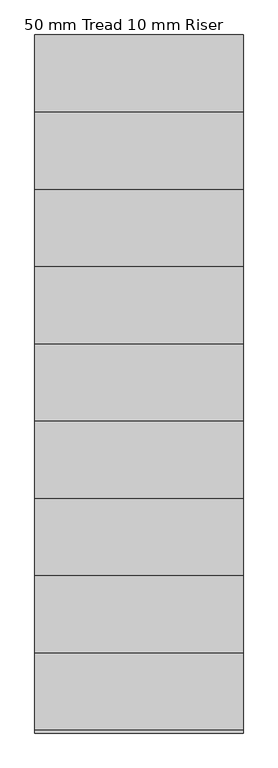
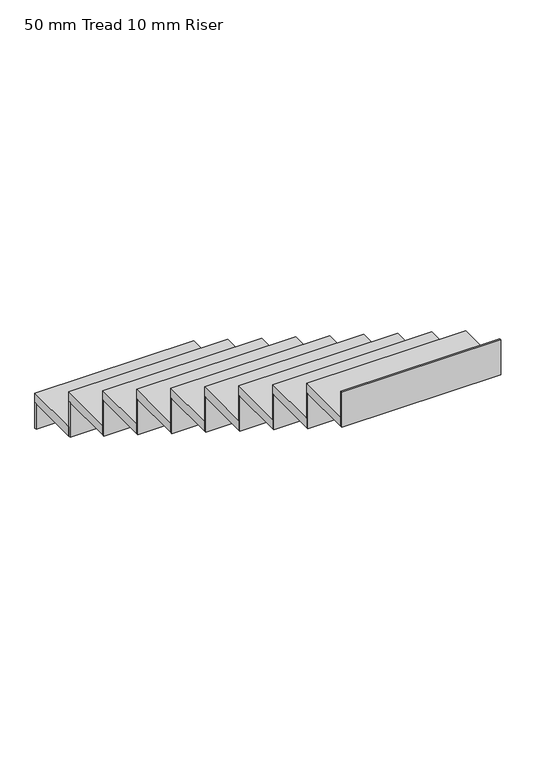
"""IFC4 building model written with IfcOpenShell, lengths in millimetres: stair flight geometry, 50 mm Tread 10 mm Riser."""

from ifc_helpers import new_model, si_unit, frame, origin, place, context, project, spatial, polyline, outline, extrude, source, transform, mapped, element, save


def stair_flight_50_mm_tread_10_mm_riser_c382cd67(model_context):
    return source(origin(), model_context, "Body", "SweptSolid", [
        extrude(outline(polyline([(539.1790884, 5721.4785253), (539.1790884, 5731.4785253), (1349.1790884, 5731.4785253), (1349.1790884, 5721.4785253), (539.1790884, 5721.4785253)])), frame((0.0, 0.0, -40.0), z_axis=(0.0, 0.0, 1.0), x_axis=(1.0, 0.0, 0.0)), (0.0, 0.0, 1.0), 138.5714286),
        extrude(outline(polyline([(1349.1790884, 5431.4785253), (539.1790884, 5431.4785253), (539.1790884, 5731.4785253), (1349.1790884, 5731.4785253), (1349.1790884, 5431.4785253)])), frame((0.0, 0.0, 98.5714286), z_axis=(0.0, 0.0, 1.0), x_axis=(1.0, 0.0, 0.0)), (0.0, 0.0, 1.0), 50.0),
        extrude(outline(polyline([(539.1790884, 5421.4785253), (539.1790884, 5431.4785253), (1349.1790884, 5431.4785253), (1349.1790884, 5421.4785253), (539.1790884, 5421.4785253)])), frame((0.0, 0.0, 98.5714286), z_axis=(0.0, 0.0, 1.0), x_axis=(1.0, 0.0, 0.0)), (0.0, 0.0, 1.0), 188.5714286),
        extrude(outline(polyline([(1349.1790884, 5131.4785253), (539.1790884, 5131.4785253), (539.1790884, 5431.4785253), (1349.1790884, 5431.4785253), (1349.1790884, 5131.4785253)])), frame((0.0, 0.0, 287.1428571), z_axis=(0.0, 0.0, 1.0), x_axis=(1.0, 0.0, 0.0)), (0.0, 0.0, 1.0), 50.0),
        extrude(outline(polyline([(539.1790884, 5121.4785253), (539.1790884, 5131.4785253), (1349.1790884, 5131.4785253), (1349.1790884, 5121.4785253), (539.1790884, 5121.4785253)])), frame((0.0, 0.0, 287.1428571), z_axis=(0.0, 0.0, 1.0), x_axis=(1.0, 0.0, 0.0)), (0.0, 0.0, 1.0), 188.5714286),
        extrude(outline(polyline([(1349.1790884, 4831.4785253), (539.1790884, 4831.4785253), (539.1790884, 5131.4785253), (1349.1790884, 5131.4785253), (1349.1790884, 4831.4785253)])), frame((0.0, 0.0, 475.7142857), z_axis=(0.0, 0.0, 1.0), x_axis=(1.0, 0.0, 0.0)), (0.0, 0.0, 1.0), 50.0),
        extrude(outline(polyline([(539.1790884, 4821.4785253), (539.1790884, 4831.4785253), (1349.1790884, 4831.4785253), (1349.1790884, 4821.4785253), (539.1790884, 4821.4785253)])), frame((0.0, 0.0, 475.7142857), z_axis=(0.0, 0.0, 1.0), x_axis=(1.0, 0.0, 0.0)), (0.0, 0.0, 1.0), 188.5714286),
        extrude(outline(polyline([(1349.1790884, 4531.4785253), (539.1790884, 4531.4785253), (539.1790884, 4831.4785253), (1349.1790884, 4831.4785253), (1349.1790884, 4531.4785253)])), frame((0.0, 0.0, 664.2857143), z_axis=(0.0, 0.0, 1.0), x_axis=(1.0, 0.0, 0.0)), (0.0, 0.0, 1.0), 50.0),
        extrude(outline(polyline([(539.1790884, 4521.4785253), (539.1790884, 4531.4785253), (1349.1790884, 4531.4785253), (1349.1790884, 4521.4785253), (539.1790884, 4521.4785253)])), frame((0.0, 0.0, 664.2857143), z_axis=(0.0, 0.0, 1.0), x_axis=(1.0, 0.0, 0.0)), (0.0, 0.0, 1.0), 188.5714286),
        extrude(outline(polyline([(1349.1790884, 4231.4785253), (539.1790884, 4231.4785253), (539.1790884, 4531.4785253), (1349.1790884, 4531.4785253), (1349.1790884, 4231.4785253)])), frame((0.0, 0.0, 852.8571429), z_axis=(0.0, 0.0, 1.0), x_axis=(1.0, 0.0, 0.0)), (0.0, 0.0, 1.0), 50.0),
        extrude(outline(polyline([(539.1790884, 4221.4785253), (539.1790884, 4231.4785253), (1349.1790884, 4231.4785253), (1349.1790884, 4221.4785253), (539.1790884, 4221.4785253)])), frame((0.0, 0.0, 852.8571429), z_axis=(0.0, 0.0, 1.0), x_axis=(1.0, 0.0, 0.0)), (0.0, 0.0, 1.0), 188.5714286),
        extrude(outline(polyline([(1349.1790884, 3931.4785253), (539.1790884, 3931.4785253), (539.1790884, 4231.4785253), (1349.1790884, 4231.4785253), (1349.1790884, 3931.4785253)])), frame((0.0, 0.0, 1041.4285714), z_axis=(0.0, 0.0, 1.0), x_axis=(1.0, 0.0, 0.0)), (0.0, 0.0, 1.0), 50.0),
        extrude(outline(polyline([(539.1790884, 3921.4785253), (539.1790884, 3931.4785253), (1349.1790884, 3931.4785253), (1349.1790884, 3921.4785253), (539.1790884, 3921.4785253)])), frame((0.0, 0.0, 1041.4285714), z_axis=(0.0, 0.0, 1.0), x_axis=(1.0, 0.0, 0.0)), (0.0, 0.0, 1.0), 188.5714286),
        extrude(outline(polyline([(1349.1790884, 3631.4785253), (539.1790884, 3631.4785253), (539.1790884, 3931.4785253), (1349.1790884, 3931.4785253), (1349.1790884, 3631.4785253)])), frame((0.0, 0.0, 1230.0), z_axis=(0.0, 0.0, 1.0), x_axis=(1.0, 0.0, 0.0)), (0.0, 0.0, 1.0), 50.0),
        extrude(outline(polyline([(539.1790884, 3621.4785253), (539.1790884, 3631.4785253), (1349.1790884, 3631.4785253), (1349.1790884, 3621.4785253), (539.1790884, 3621.4785253)])), frame((0.0, 0.0, 1230.0), z_axis=(0.0, 0.0, 1.0), x_axis=(1.0, 0.0, 0.0)), (0.0, 0.0, 1.0), 188.5714286),
        extrude(outline(polyline([(1349.1790884, 3331.4785253), (539.1790884, 3331.4785253), (539.1790884, 3631.4785253), (1349.1790884, 3631.4785253), (1349.1790884, 3331.4785253)])), frame((0.0, 0.0, 1418.5714286), z_axis=(0.0, 0.0, 1.0), x_axis=(1.0, 0.0, 0.0)), (0.0, 0.0, 1.0), 50.0),
        extrude(outline(polyline([(539.1790884, 3321.4785253), (539.1790884, 3331.4785253), (1349.1790884, 3331.4785253), (1349.1790884, 3321.4785253), (539.1790884, 3321.4785253)])), frame((0.0, 0.0, 1418.5714286), z_axis=(0.0, 0.0, 1.0), x_axis=(1.0, 0.0, 0.0)), (0.0, 0.0, 1.0), 188.5714286),
        extrude(outline(polyline([(539.1790884, 3021.4785253), (539.1790884, 3031.4785253), (1349.1790884, 3031.4785253), (1349.1790884, 3021.4785253), (539.1790884, 3021.4785253)])), frame((0.0, 0.0, 1607.1428571), z_axis=(0.0, 0.0, 1.0), x_axis=(1.0, 0.0, 0.0)), (0.0, 0.0, 1.0), 188.5714286),
        extrude(outline(polyline([(1349.1790884, 3031.4785253), (539.1790884, 3031.4785253), (539.1790884, 3331.4785253), (1349.1790884, 3331.4785253), (1349.1790884, 3031.4785253)])), frame((0.0, 0.0, 1607.1428571), z_axis=(0.0, 0.0, 1.0), x_axis=(1.0, 0.0, 0.0)), (0.0, 0.0, 1.0), 50.0),
    ])


if __name__ == "__main__":
    model = new_model("IFC4")
    model_context = context("Model", 3, world=origin())
    ifc_project = project(units=[si_unit("LENGTHUNIT", "METRE", prefix="MILLI")], contexts=[model_context])
    site = spatial("IfcSite", under=ifc_project)
    building = spatial("IfcBuilding", under=site)
    placement = place(None, origin())
    stair_flight_50_mm_tread_10_mm_riser_shape = stair_flight_50_mm_tread_10_mm_riser_c382cd67(model_context)
    element("IfcStairFlight", 1, ObjectType="50 mm Tread 10 mm Riser", at=placement, inside=building, context=model_context, shape_type="MappedRepresentation", body=[
        mapped(stair_flight_50_mm_tread_10_mm_riser_shape, transform((0.0, 0.0, 0.0), x_axis=(1.0, 0.0, 0.0), y_axis=(0.0, 1.0, 0.0), z_axis=(0.0, 0.0, 1.0))),
    ])
    save(model, "model.ifc")
